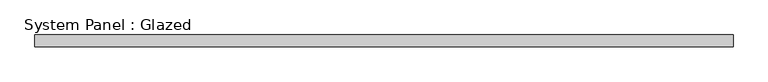
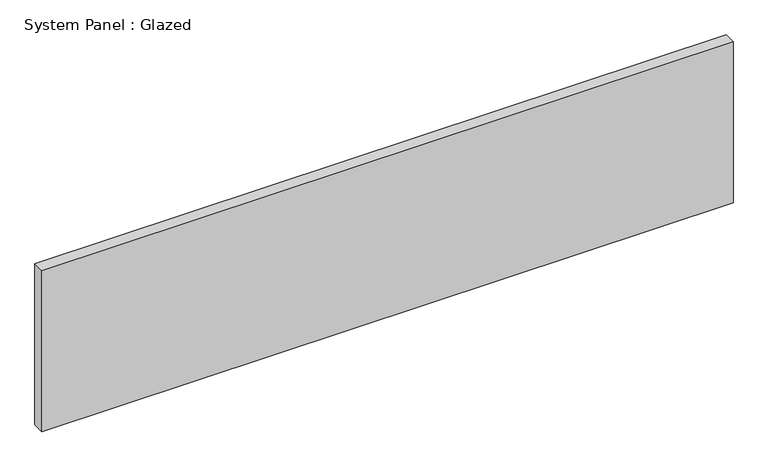
"""IFC4 building model written with IfcOpenShell, lengths in millimetres: plate geometry, System Panel : Glazed."""

from ifc_helpers import new_model, si_unit, origin, origin_with_axes, place, context, project, spatial, polyline, outline, extrude, source, transform, mapped, element, save


def system_panel_glazed_b0939850(model_context):
    return source(origin(), model_context, "Body", "SweptSolid", [
        extrude(outline(polyline([(733.425, -12.7), (-733.425, -12.7), (-733.425, 12.7), (733.425, 12.7), (733.425, -12.7)])), origin_with_axes(), (0.0, 0.0, 1.0), 361.45),
    ])


if __name__ == "__main__":
    model = new_model("IFC4")
    model_context = context("Model", 3, world=origin())
    ifc_project = project(units=[si_unit("LENGTHUNIT", "METRE", prefix="MILLI")], contexts=[model_context])
    site = spatial("IfcSite", under=ifc_project)
    building = spatial("IfcBuilding", under=site)
    placement = place(None, origin())
    system_panel_glazed_shape = system_panel_glazed_b0939850(model_context)
    element("IfcPlate", 1, ObjectType="System Panel : Glazed", at=placement, inside=building, context=model_context, shape_type="MappedRepresentation", body=[
        mapped(system_panel_glazed_shape, transform((0.0, 0.0, 0.0), x_axis=(1.0, 0.0, 0.0), y_axis=(0.0, 1.0, 0.0), z_axis=(0.0, 0.0, 1.0))),
    ])
    save(model, "model.ifc")
